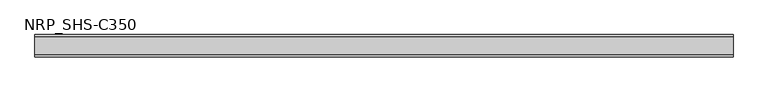
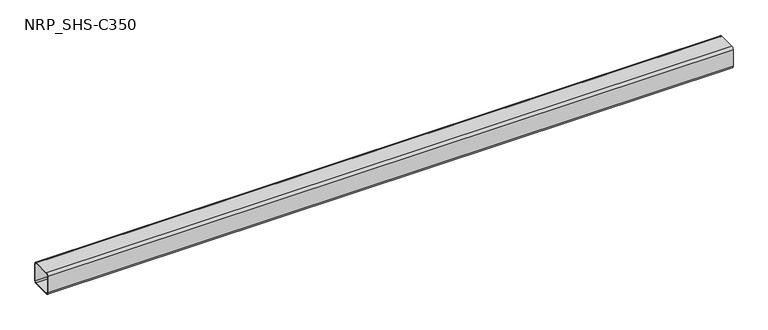
"""IFC4 building model written with IfcOpenShell, lengths in millimetres: member geometry, NRP_SHS-C350."""

from ifc_helpers import new_model, si_unit, point, frame, frame_2d, origin, place, context, project, spatial, polyline, circle_curve, trimmed, segment, composite_curve, outline, extrude, source, transform, mapped, element, save


def nrp_shs_c350_906a38de(model_context):
    return source(origin(), model_context, "Body", "SweptSolid", [
        extrude(outline(composite_curve([segment(trimmed(circle_curve(frame_2d((-35.75, 35.75)), 8.75), [point((-44.5, 35.75))], [point((-35.75, 44.5))], False, "CARTESIAN"), True, "CONTINUOUS"), segment(polyline([(-35.75, 44.5), (35.75, 44.5)]), True, "CONTINUOUS"), segment(trimmed(circle_curve(frame_2d((35.75, 35.75)), 8.75), [point((35.75, 44.5))], [point((44.5, 35.75))], False, "CARTESIAN"), True, "CONTINUOUS"), segment(polyline([(44.5, 35.75), (44.5, -35.75)]), True, "CONTINUOUS"), segment(trimmed(circle_curve(frame_2d((35.75, -35.75)), 8.75), [point((44.5, -35.75))], [point((35.75, -44.5))], False, "CARTESIAN"), True, "CONTINUOUS"), segment(polyline([(35.75, -44.5), (-35.75, -44.5)]), True, "CONTINUOUS"), segment(trimmed(circle_curve(frame_2d((-35.75, -35.75)), 8.75), [point((-35.75, -44.5))], [point((-44.5, -35.75))], False, "CARTESIAN"), True, "CONTINUOUS"), segment(polyline([(-44.5, -35.75), (-44.5, 35.75)]), True, "CONTINUOUS")], self_intersect=False), holes=[composite_curve([segment(polyline([(35.75, 41.0), (-35.75, 41.0)]), True, "CONTINUOUS"), segment(trimmed(circle_curve(frame_2d((-35.75, 35.75)), 5.25), [point((-35.75, 41.0))], [point((-41.0, 35.75))], True, "CARTESIAN"), True, "CONTINUOUS"), segment(polyline([(-41.0, 35.75), (-41.0, -35.75)]), True, "CONTINUOUS"), segment(trimmed(circle_curve(frame_2d((-35.75, -35.75)), 5.25), [point((-41.0, -35.75))], [point((-35.75, -41.0))], True, "CARTESIAN"), True, "CONTINUOUS"), segment(polyline([(-35.75, -41.0), (35.75, -41.0)]), True, "CONTINUOUS"), segment(trimmed(circle_curve(frame_2d((35.75, -35.75)), 5.25), [point((35.75, -41.0))], [point((41.0, -35.75))], True, "CARTESIAN"), True, "CONTINUOUS"), segment(polyline([(41.0, -35.75), (41.0, 35.75)]), True, "CONTINUOUS"), segment(trimmed(circle_curve(frame_2d((35.75, 35.75)), 5.25), [point((41.0, 35.75))], [point((35.75, 41.0))], True, "CARTESIAN"), True, "CONTINUOUS")], self_intersect=False)]), frame((-1383.0, 0.0, 0.0), z_axis=(1.0, 0.0, 0.0), x_axis=(0.0, 1.0, 0.0)), (0.0, 0.0, 1.0), 2755.0),
    ])


if __name__ == "__main__":
    model = new_model("IFC4")
    model_context = context("Model", 3, world=origin())
    ifc_project = project(units=[si_unit("LENGTHUNIT", "METRE", prefix="MILLI")], contexts=[model_context])
    site = spatial("IfcSite", under=ifc_project)
    building = spatial("IfcBuilding", under=site)
    placement = place(None, origin())
    nrp_shs_c350_shape = nrp_shs_c350_906a38de(model_context)
    element("IfcMember", 1, ObjectType="NRP_SHS-C350", at=placement, inside=building, context=model_context, shape_type="MappedRepresentation", body=[
        mapped(nrp_shs_c350_shape, transform((0.0, 0.0, 0.0), x_axis=(1.0, 0.0, 0.0), y_axis=(0.0, 1.0, 0.0), z_axis=(0.0, 0.0, 1.0))),
    ])
    save(model, "model.ifc")
